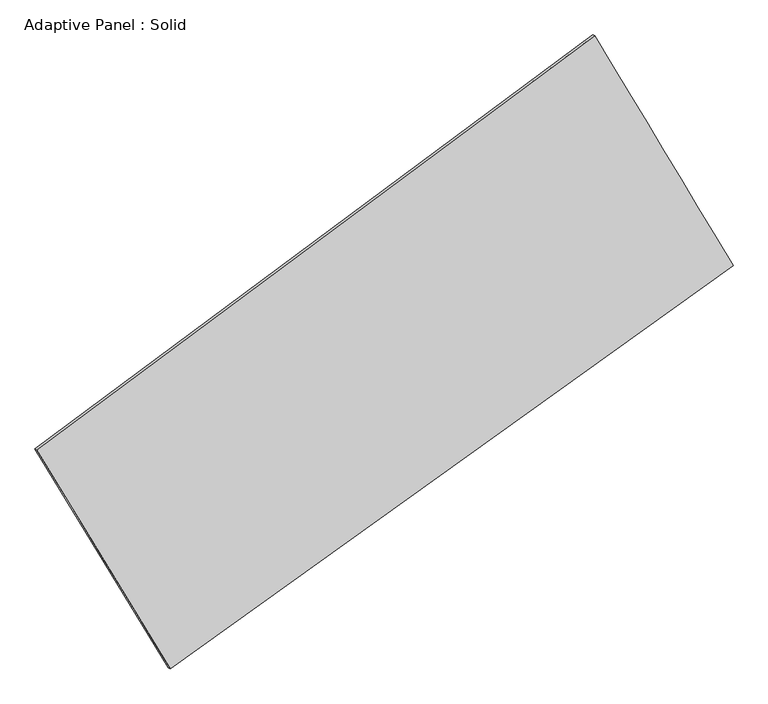
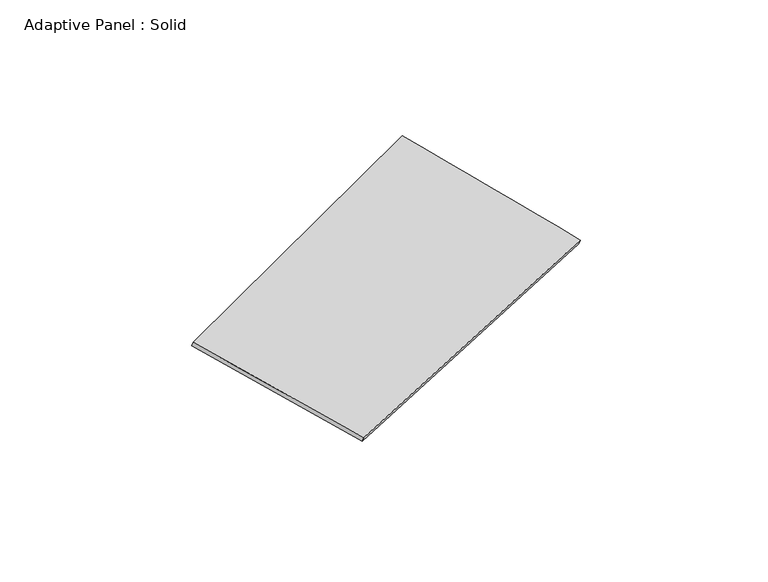
"""IFC4 building model written with IfcOpenShell, lengths in millimetres: plate geometry, Adaptive Panel : Solid."""

from ifc_helpers import new_model, si_unit, frame, origin, place, context, project, spatial, source, transform, mapped, element, save
from ifc_brep_helpers import plane_surface, spline_surface, advanced_brep


def adaptive_panel_solid_fc1545b5(model_context):
    return source(origin(), model_context, "Body", "AdvancedBrep", [
        advanced_brep(
        [(1114.2499686, 2572.2482656, 698.3294503), (-3553.4310894, -893.8720426, 1648.6863594), (-3538.7647336, -900.2521361, 1696.0592674), (1128.9163245, 2565.8681721, 745.7023583), (-2436.582069, -2727.4108371, 1084.6124849), (-2421.9157132, -2733.7909306, 1131.9853929), (2272.4726117, 648.7860412, 53.4942257), (2287.1389675, 642.4059478, 100.8671337)],
        [
            (0, 1),
            (1, 2),
            (2, 3),
            (3, 0),
            (1, 4),
            (4, 5),
            (5, 2),
            (4, 6),
            (6, 7),
            (7, 5),
            (6, 0),
            (3, 7),
        ],
        [
            plane_surface(frame((-1219.5905604, 839.1881115, 1173.5079048), z_axis=(-0.5368773066785317, 0.7980324561392804, 0.27369135266192324), x_axis=(-0.7923349459696155, -0.5883710161387629, 0.1613222884884977))),
            plane_surface(frame((-2995.0065792, -1810.6414398, 1366.6494221), z_axis=(-0.8150890538443574, -0.5512801758782936, 0.17810110046461758), x_axis=(0.5031364170885819, -0.8260025507617856, -0.25411322660241087))),
            plane_surface(frame((-82.0547287, -1039.3123979, 569.0533553), z_axis=(0.5211710799028104, -0.8094933632717931, -0.2703723364027088), x_axis=(0.8001343823465753, 0.573663163223171, -0.17520144219626196))),
            plane_surface(frame((1693.3612901, 1610.5171534, 375.911838), z_axis=(0.815402463885238, 0.5507625609304531, -0.1782678416518594), x_axis=(-0.4958098044391949, 0.8233921475009343, 0.276039868960567))),
            spline_surface(1, 1, [[(-3538.7647336, -900.2521361, 1696.0592674), (1128.9163245, 2565.8681721, 745.7023583)], [(-2421.9157132, -2733.7909306, 1131.9853929), (2287.1389675, 642.4059478, 100.8671337)]], [2, 2], [2, 2], [0.0, 1.0], [0.0, 1.0]),
            spline_surface(1, 1, [[(2272.4726117, 648.7860412, 53.4942257), (1114.2499686, 2572.2482656, 698.3294503)], [(-2436.582069, -2727.4108371, 1084.6124849), (-3553.4310894, -893.8720426, 1648.6863594)]], [2, 2], [2, 2], [0.0, 1.0], [0.0, 1.0]),
        ],
        [
            (0, [[1, 2, 3, 4]]),
            (1, [[5, 6, 7, -2]]),
            (2, [[8, 9, 10, -6]]),
            (3, [[11, -4, 12, -9]]),
            (4, [[-3, -7, -10, -12]]),
            (5, [[-11, -8, -5, -1]]),
        ],
    ),
    ])


if __name__ == "__main__":
    model = new_model("IFC4")
    model_context = context("Model", 3, world=origin())
    ifc_project = project(units=[si_unit("LENGTHUNIT", "METRE", prefix="MILLI")], contexts=[model_context])
    site = spatial("IfcSite", under=ifc_project)
    building = spatial("IfcBuilding", under=site)
    placement = place(None, origin())
    adaptive_panel_solid_shape = adaptive_panel_solid_fc1545b5(model_context)
    element("IfcPlate", 1, ObjectType="Adaptive Panel : Solid", at=placement, inside=building, context=model_context, shape_type="MappedRepresentation", body=[
        mapped(adaptive_panel_solid_shape, transform((0.0, 0.0, 0.0), x_axis=(1.0, 0.0, 0.0), y_axis=(0.0, 1.0, 0.0), z_axis=(0.0, 0.0, 1.0))),
    ])
    save(model, "model.ifc")
